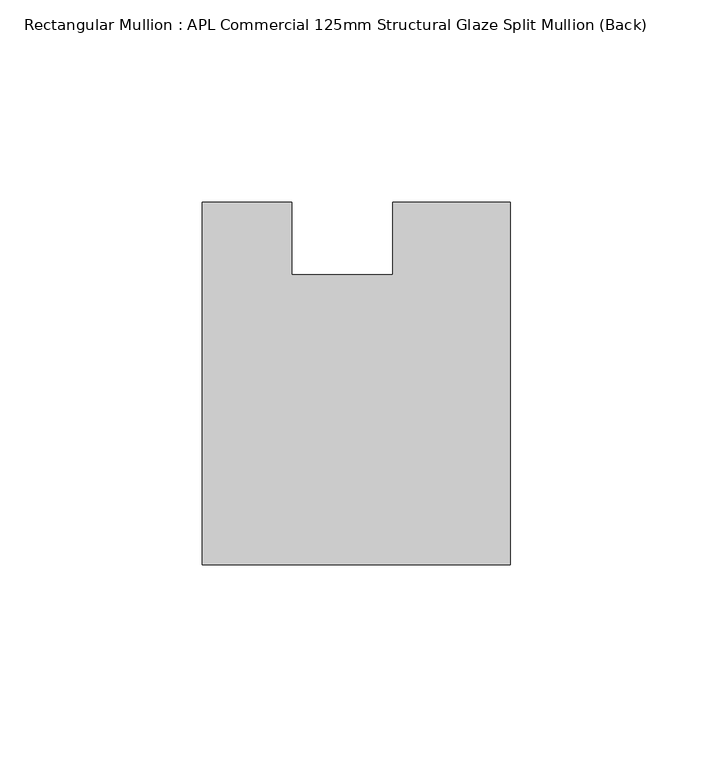
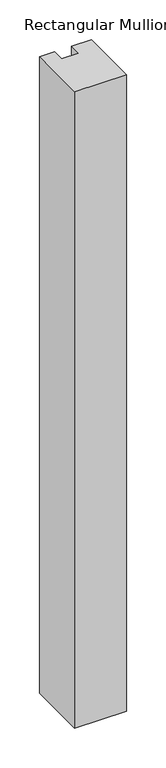
"""IFC4 building model written with IfcOpenShell, lengths in millimetres: member geometry, Rectangular Mullion : APL Commercial 125mm Structural Glaze Split Mullion (Back)."""

from ifc_helpers import new_model, si_unit, frame, origin, place, context, project, spatial, polyline, outline, extrude, source, transform, mapped, element, save


def rectangular_mullion_apl_commercial_125mm_structural_glaze_e965427b(model_context):
    return source(origin(), model_context, "Body", "SweptSolid", [
        extrude(outline(polyline([(37.9999914, -104.4960123), (-37.9999896, -104.4960123), (-37.9999896, -14.9960123), (-16.0, -14.9960123), (-16.0, -32.7960123), (9.0, -32.7960123), (9.0, -14.9960123), (37.9999914, -14.9960123), (37.9999914, -104.4960123)])), frame((0.0, 0.0, -983.3287873), z_axis=(0.0, 0.0, 1.0), x_axis=(1.0, 0.0, 0.0)), (0.0, 0.0, 1.0), 983.3287873),
    ])


if __name__ == "__main__":
    model = new_model("IFC4")
    model_context = context("Model", 3, world=origin())
    ifc_project = project(units=[si_unit("LENGTHUNIT", "METRE", prefix="MILLI")], contexts=[model_context])
    site = spatial("IfcSite", under=ifc_project)
    building = spatial("IfcBuilding", under=site)
    placement = place(None, origin())
    rectangular_mullion_apl_commercial_125mm_structural_glaze_shape = rectangular_mullion_apl_commercial_125mm_structural_glaze_e965427b(model_context)
    element("IfcMember", 1, ObjectType="Rectangular Mullion : APL Commercial 125mm Structural Glaze Split Mullion (Back)", at=placement, inside=building, context=model_context, shape_type="MappedRepresentation", body=[
        mapped(rectangular_mullion_apl_commercial_125mm_structural_glaze_shape, transform((0.0, 0.0, 0.0), x_axis=(1.0, 0.0, 0.0), y_axis=(0.0, 1.0, 0.0), z_axis=(0.0, 0.0, 1.0))),
    ])
    save(model, "model.ifc")
